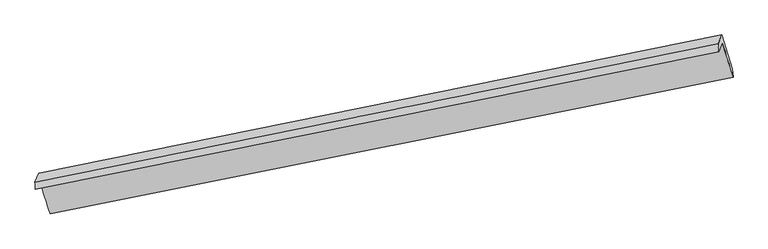
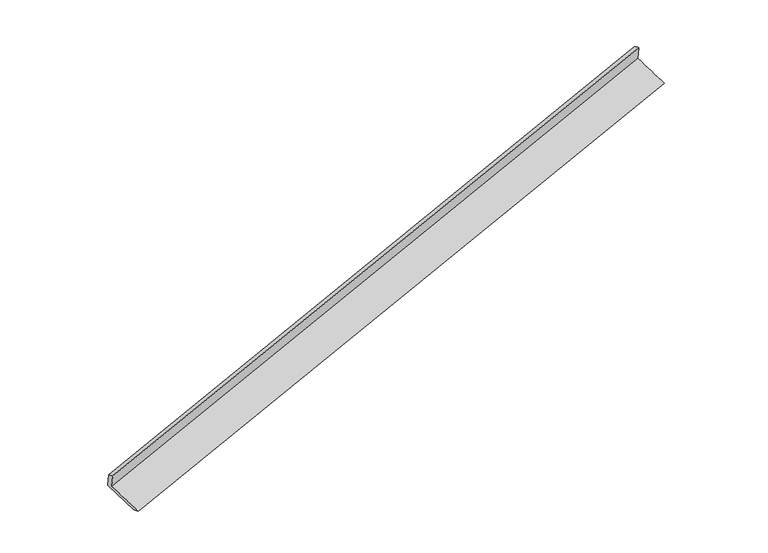
"""IFC4 building model written with IfcOpenShell, lengths in millimetres: proxy geometry."""

from ifc_helpers import new_model, si_unit, frame, origin, place, context, project, spatial, source, transform, mapped, element, save
from ifc_brep_helpers import plane_surface, spline_surface, advanced_brep


def generic_models_4368be9e(model_context):
    return source(origin(), model_context, "Body", "AdvancedBrep", [
        advanced_brep(
        [(-9729.4358018, -2832.2881197, 359.5496417), (-9651.7992997, -2654.0903456, -32.0502435), (3852.7511318, 58.7428343, 3865.8672056), (3775.1146297, -119.4549398, 4257.4670908), (-9740.8071615, -2691.8169992, 300.7219533), (3765.1913421, 38.241976, 4184.4368564), (-9663.3785674, -2514.0964329, -89.82924), (3842.6199362, 215.9625422, 3793.8856631), (-9454.5097395, -3173.9785248, -348.6997826), (4049.7284668, -453.7634592, 3530.1866561), (-9440.2187392, -3322.5396506, -294.2816883), (4062.5126404, -619.562091, 3598.7903191)],
        [
            (0, 1),
            (1, 2),
            (2, 3),
            (3, 0),
            (4, 0),
            (3, 5),
            (5, 4),
            (6, 4),
            (5, 7),
            (7, 6),
            (8, 6),
            (7, 9),
            (9, 8),
            (10, 8),
            (9, 11),
            (11, 10),
            (1, 10),
            (11, 2),
        ],
        [
            plane_surface(frame((-9690.6175507, -2743.1892327, 163.7496991), z_axis=(0.28073249580758086, -0.8933548578407859, -0.3508651646571885), x_axis=(0.1775819695027603, 0.407600945669919, -0.8957265839509893))),
            spline_surface(1, 1, [[(-9740.8071615, -2691.8169992, 300.7219533), (3765.1913421, 38.241976, 4184.4368564)], [(-9729.4358018, -2832.2881197, 359.5496417), (3775.1146297, -119.4549398, 4257.4670908)]], [2, 2], [2, 2], [0.0, 1.0], [0.0, 1.0]),
            plane_surface(frame((-9702.0928645, -2602.9567161, 105.4463566), z_axis=(-0.2813912188503416, 0.8932225259095357, 0.3506743520158102), x_axis=(-0.1775819695026961, -0.4076009456700712, 0.8957265839509327))),
            spline_surface(1, 1, [[(-9454.5097395, -3173.9785248, -348.6997826), (4049.7284668, -453.7634592, 3530.1866561)], [(-9663.3785674, -2514.0964329, -89.82924), (3842.6199362, 215.9625422, 3793.8856631)]], [2, 2], [2, 2], [0.0, 1.0], [0.0, 1.0]),
            spline_surface(1, 1, [[(-9440.2187392, -3322.5396506, -294.2816883), (4062.5126404, -619.562091, 3598.7903191)], [(-9454.5097395, -3173.9785248, -348.6997826), (4049.7284668, -453.7634592, 3530.1866561)]], [2, 2], [2, 2], [0.0, 1.0], [0.0, 1.0]),
            spline_surface(1, 1, [[(-9651.7992997, -2654.0903456, -32.0502435), (3852.7511318, 58.7428343, 3865.8672056)], [(-9440.2187392, -3322.5396506, -294.2816883), (4062.5126404, -619.562091, 3598.7903191)]], [2, 2], [2, 2], [0.0, 1.0], [0.0, 1.0]),
            plane_surface(frame((3891.3196912, -146.6388562, 3871.7722985), z_axis=(0.944457489093715, 0.1851655512116214, 0.2715027991371213), x_axis=(-0.276522504332527, 0.8941896821890811, 0.352079702431506))),
            plane_surface(frame((-9613.3582182, -2864.8016788, -17.4315599), z_axis=(-0.942642863952347, -0.19096526978090697, -0.2737822068309456), x_axis=(-0.1775819695028105, -0.4076009456699407, 0.8957265839509694))),
        ],
        [
            (0, [[1, 2, 3, 4]]),
            (1, [[5, -4, 6, 7]]),
            (2, [[8, -7, 9, 10]]),
            (3, [[11, -10, 12, 13]]),
            (4, [[14, -13, 15, 16]]),
            (5, [[17, -16, 18, -2]]),
            (6, [[-12, -9, -6, -3, -18, -15]]),
            (7, [[-1, -5, -8, -11, -14, -17]]),
        ],
    ),
    ])


if __name__ == "__main__":
    model = new_model("IFC4")
    model_context = context("Model", 3, world=origin())
    ifc_project = project(units=[si_unit("LENGTHUNIT", "METRE", prefix="MILLI")], contexts=[model_context])
    site = spatial("IfcSite", under=ifc_project)
    building = spatial("IfcBuilding", under=site)
    placement = place(None, origin())
    generic_models_shape = generic_models_4368be9e(model_context)
    element("IfcBuildingElementProxy", 1, Name="Generic Models", at=placement, inside=building, context=model_context, shape_type="MappedRepresentation", body=[
        mapped(generic_models_shape, transform((0.0, 0.0, 0.0), x_axis=(1.0, 0.0, 0.0), y_axis=(0.0, 1.0, 0.0), z_axis=(0.0, 0.0, 1.0))),
    ])
    save(model, "model.ifc")
